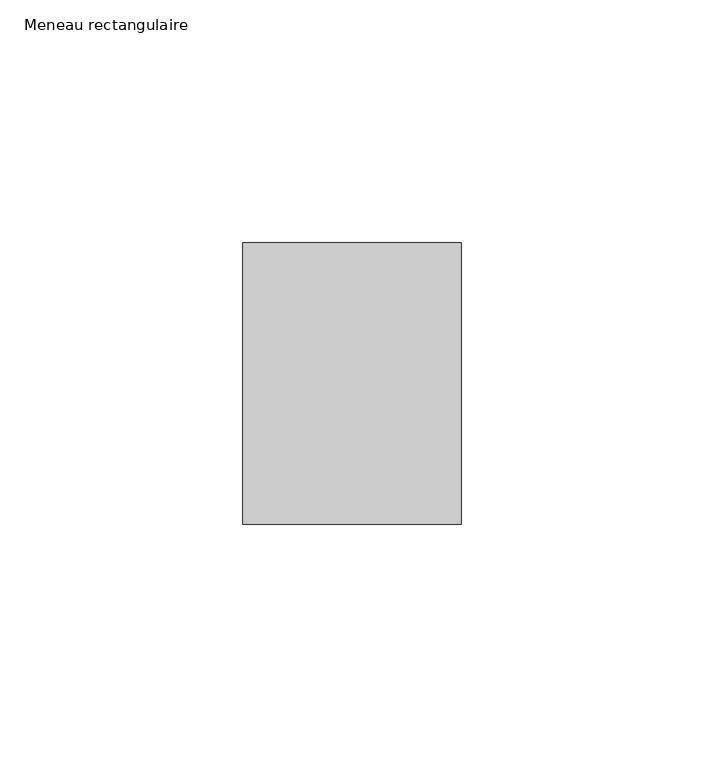
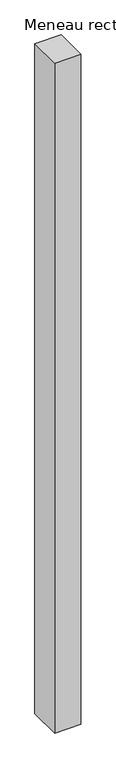
"""IFC4 building model written with IfcOpenShell, lengths in millimetres: member geometry, Meneau rectangulaire."""

from ifc_helpers import new_model, si_unit, frame, origin, place, context, project, spatial, polyline, outline, extrude, source, transform, mapped, element, save


def meneau_rectangulaire_b2311d4f(model_context):
    return source(origin(), model_context, "Body", "SweptSolid", [
        extrude(outline(polyline([(-45.0, 29.0), (0.0, 29.0), (0.0, -29.0), (-45.0, -29.0), (-45.0, 29.0)])), frame((0.0, 0.0, -1210.2499998), z_axis=(0.0, 0.0, 1.0), x_axis=(1.0, 0.0, 0.0)), (0.0, 0.0, 1.0), 1210.2499998),
    ])


if __name__ == "__main__":
    model = new_model("IFC4")
    model_context = context("Model", 3, world=origin())
    ifc_project = project(units=[si_unit("LENGTHUNIT", "METRE", prefix="MILLI")], contexts=[model_context])
    site = spatial("IfcSite", under=ifc_project)
    building = spatial("IfcBuilding", under=site)
    placement = place(None, origin())
    meneau_rectangulaire_shape = meneau_rectangulaire_b2311d4f(model_context)
    element("IfcMember", 1, ObjectType="Meneau rectangulaire", at=placement, inside=building, context=model_context, shape_type="MappedRepresentation", body=[
        mapped(meneau_rectangulaire_shape, transform((0.0, 0.0, 0.0), x_axis=(1.0, 0.0, 0.0), y_axis=(0.0, 1.0, 0.0), z_axis=(0.0, 0.0, 1.0))),
    ])
    save(model, "model.ifc")
